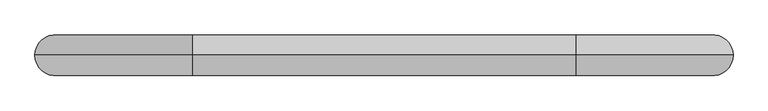
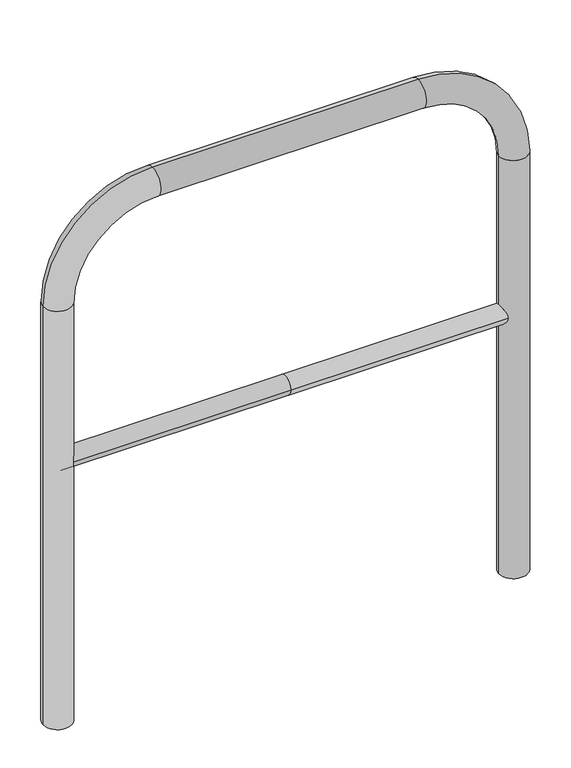
"""IFC4 building model written with IfcOpenShell, lengths in millimetres: proxy geometry."""

from ifc_helpers import new_model, si_unit, point, frame, frame_2d, origin, place, context, project, spatial, circle_curve, ellipse_curve, trimmed, segment, composite_curve, outline, extrude, source, transform, mapped, element, save
from ifc_brep_helpers import plane_surface, cylinder_surface, revolved_surface, advanced_brep


def generic_models_7985f3c2(model_context):
    return source(origin(), model_context, "Body", "SolidModel", [
        extrude(outline(composite_curve([segment(trimmed(circle_curve(frame_2d((0.0, 498.4778375)), 20.0), [point((-20.0, 498.4778375))], [point((20.0, 498.4778375))], False, "CARTESIAN"), True, "CONTINUOUS"), segment(trimmed(circle_curve(frame_2d((0.0, 498.4778375)), 20.0), [point((20.0, 498.4778375))], [point((-20.0, 498.4778375))], False, "CARTESIAN"), True, "CONTINUOUS")], self_intersect=False)), frame((-479.5060306, 0.0, 0.0), z_axis=(1.0, 0.0, 0.0), x_axis=(0.0, 1.0, 0.0)), (0.0, 0.0, 1.0), 479.5060306),
        extrude(outline(composite_curve([segment(trimmed(circle_curve(frame_2d((0.0, 498.4778375)), 20.0), [point((-20.0, 498.4778375))], [point((20.0, 498.4778375))], False, "CARTESIAN"), True, "CONTINUOUS"), segment(trimmed(circle_curve(frame_2d((0.0, 498.4778375)), 20.0), [point((20.0, 498.4778375))], [point((-20.0, 498.4778375))], False, "CARTESIAN"), True, "CONTINUOUS")], self_intersect=False)), frame((0.0, 0.0, 0.0), z_axis=(1.0, 0.0, 0.0), x_axis=(0.0, 1.0, 0.0)), (0.0, 0.0, 1.0), 479.5060306),
        advanced_brep(
        [(-449.5060306, 0.0, -80.0), (-509.5060306, 0.0, -80.0), (-449.5060306, 0.0, 850.0), (-509.5060306, 0.0, 850.0), (-279.5060306, 0.0, 1080.0), (-279.5060306, 0.0, 1020.0), (279.5060306, 0.0, 1020.0), (279.5060306, 0.0, 1080.0), (509.5060306, 0.0, 850.0), (449.5060306, 0.0, 850.0), (449.5060306, 0.0, -80.0), (509.5060306, 0.0, -80.0)],
        [
            (0, 1, circle_curve(frame((-479.5060306, 0.0, -80.0), z_axis=(0.0, 0.0, -1.0), x_axis=(-1.0, 0.0, 0.0)), 30.0)),
            (1, 0, circle_curve(frame((-479.5060306, 0.0, -80.0), z_axis=(0.0, 0.0, -1.0), x_axis=(-1.0, 0.0, 0.0)), 30.0)),
            (0, 2),
            (2, 3, circle_curve(frame((-479.5060306, 0.0, 850.0), z_axis=(0.0, 0.0, -1.0), x_axis=(-1.0, 0.0, 0.0)), 30.0)),
            (3, 1),
            (3, 2, circle_curve(frame((-479.5060306, 0.0, 850.0), z_axis=(0.0, 0.0, -1.0), x_axis=(-1.0, 0.0, 0.0)), 30.0)),
            (4, 3, circle_curve(frame((-279.5060306, 0.0, 850.0), z_axis=(0.0, -1.0, 0.0), x_axis=(-1.0, 0.0, 0.0)), 230.0)),
            (2, 5, circle_curve(frame((-279.5060306, 0.0, 850.0), z_axis=(0.0, 1.0, 0.0), x_axis=(-1.0, 0.0, 0.0)), 170.0)),
            (5, 4, circle_curve(frame((-279.5060306, 0.0, 1050.0), z_axis=(-1.0, 0.0, 0.0), x_axis=(0.0, 0.0, 1.0)), 30.0)),
            (4, 5, circle_curve(frame((-279.5060306, 0.0, 1050.0), z_axis=(-1.0, 0.0, 0.0), x_axis=(0.0, 0.0, 1.0)), 30.0)),
            (5, 6),
            (6, 7, circle_curve(frame((279.5060306, 0.0, 1050.0), z_axis=(-1.0, 0.0, 0.0), x_axis=(0.0, 0.0, 1.0)), 30.0)),
            (7, 4),
            (7, 6, circle_curve(frame((279.5060306, 0.0, 1050.0), z_axis=(-1.0, 0.0, 0.0), x_axis=(0.0, 0.0, 1.0)), 30.0)),
            (8, 7, circle_curve(frame((279.5060306, 0.0, 850.0), z_axis=(0.0, -1.0, 0.0), x_axis=(0.0, 0.0, 1.0)), 230.0)),
            (6, 9, circle_curve(frame((279.5060306, 0.0, 850.0), z_axis=(0.0, 1.0, 0.0), x_axis=(0.0, 0.0, 1.0)), 170.0)),
            (9, 8, circle_curve(frame((479.5060306, 0.0, 850.0), z_axis=(0.0, 0.0, 1.0), x_axis=(1.0, 0.0, 0.0)), 30.0)),
            (8, 9, circle_curve(frame((479.5060306, 0.0, 850.0), z_axis=(0.0, 0.0, 1.0), x_axis=(1.0, 0.0, 0.0)), 30.0)),
            (10, 11, circle_curve(frame((479.5060306, 0.0, -80.0), z_axis=(0.0, 0.0, -1.0), x_axis=(1.0, 0.0, 0.0)), 30.0)),
            (11, 10, circle_curve(frame((479.5060306, 0.0, -80.0), z_axis=(0.0, 0.0, -1.0), x_axis=(1.0, 0.0, 0.0)), 30.0)),
            (9, 10),
            (11, 8),
        ],
        [
            plane_surface(frame((-479.5060306, 0.0, -80.0), z_axis=(0.0, 0.0, -1.0), x_axis=(0.0, -1.0, 0.0))),
            cylinder_surface(frame((-479.5060306, 0.0, -80.0), z_axis=(0.0, 0.0, -1.0), x_axis=(-1.0, 0.0, 0.0)), 30.0),
            revolved_surface(trimmed(ellipse_curve(frame((-479.5060306, 0.0, 850.0), z_axis=(0.0, 0.0, -1.0), x_axis=(-1.0, 0.0, 0.0)), 30.0, 30.0), [point((-449.5060306, 0.0, 850.0))], [point((-509.5060306, 0.0, 850.0))], True, "CARTESIAN"), (-279.5060306, 0.0, 850.0), (0.0, 1.0, 0.0)),
            revolved_surface(trimmed(ellipse_curve(frame((-479.5060306, 0.0, 850.0), z_axis=(0.0, 0.0, -1.0), x_axis=(-1.0, 0.0, 0.0)), 30.0, 30.0), [point((-509.5060306, 0.0, 850.0))], [point((-449.5060306, 0.0, 850.0))], True, "CARTESIAN"), (-279.5060306, 0.0, 850.0), (0.0, 1.0, 0.0)),
            cylinder_surface(frame((-279.5060306, 0.0, 1050.0), z_axis=(-1.0, 0.0, 0.0), x_axis=(0.0, 0.0, 1.0)), 30.0),
            revolved_surface(trimmed(ellipse_curve(frame((279.5060306, 0.0, 1050.0), z_axis=(-1.0, 0.0, 0.0), x_axis=(0.0, 0.0, 1.0)), 30.0, 30.0), [point((279.5060306, 0.0, 1020.0))], [point((279.5060306, 0.0, 1080.0))], True, "CARTESIAN"), (279.5060306, 0.0, 850.0), (0.0, 1.0, 0.0)),
            revolved_surface(trimmed(ellipse_curve(frame((279.5060306, 0.0, 1050.0), z_axis=(-1.0, 0.0, 0.0), x_axis=(0.0, 0.0, 1.0)), 30.0, 30.0), [point((279.5060306, 0.0, 1080.0))], [point((279.5060306, 0.0, 1020.0))], True, "CARTESIAN"), (279.5060306, 0.0, 850.0), (0.0, 1.0, 0.0)),
            plane_surface(frame((479.5060306, 0.0, -80.0), z_axis=(0.0, 0.0, -1.0), x_axis=(0.0, -1.0, 0.0))),
            cylinder_surface(frame((479.5060306, 0.0, 850.0), z_axis=(0.0, 0.0, 1.0), x_axis=(1.0, 0.0, 0.0)), 30.0),
        ],
        [
            (0, [[1, 2]]),
            (1, [[-1, 3, 4, 5]]),
            (1, [[-2, -5, 6, -3]]),
            (2, [[7, -4, 8, 9]]),
            (3, [[-8, -6, -7, 10]]),
            (4, [[-9, 11, 12, 13]]),
            (4, [[-10, -13, 14, -11]]),
            (5, [[15, -12, 16, 17]]),
            (6, [[-16, -14, -15, 18]]),
            (7, [[19, 20]]),
            (8, [[-17, 21, -20, 22]]),
            (8, [[-18, -22, -19, -21]]),
        ],
    ),
    ])


if __name__ == "__main__":
    model = new_model("IFC4")
    model_context = context("Model", 3, world=origin())
    ifc_project = project(units=[si_unit("LENGTHUNIT", "METRE", prefix="MILLI")], contexts=[model_context])
    site = spatial("IfcSite", under=ifc_project)
    building = spatial("IfcBuilding", under=site)
    placement = place(None, origin())
    generic_models_shape = generic_models_7985f3c2(model_context)
    element("IfcBuildingElementProxy", 1, Name="Generic Models", at=placement, inside=building, context=model_context, shape_type="MappedRepresentation", body=[
        mapped(generic_models_shape, transform((0.0, 0.0, 0.0), x_axis=(1.0, 0.0, 0.0), y_axis=(0.0, 1.0, 0.0), z_axis=(0.0, 0.0, 1.0))),
    ])
    save(model, "model.ifc")
